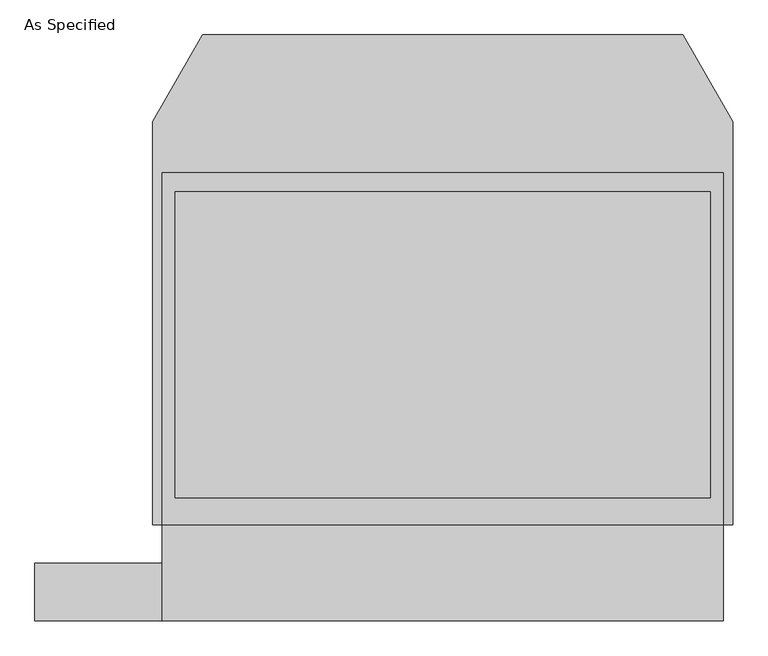
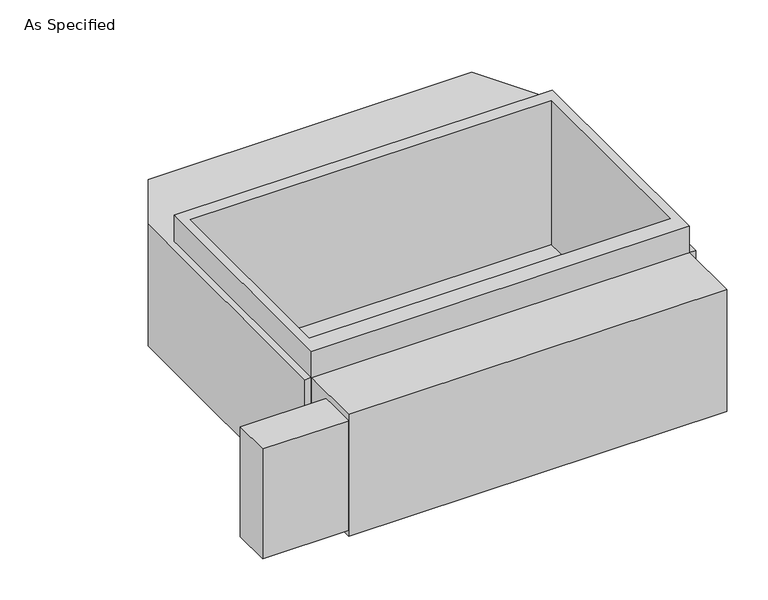
"""IFC4 building model written with IfcOpenShell, lengths in millimetres: proxy geometry, As Specified."""

import ifcopenshell
import ifcopenshell.guid

model = None  # the IFC model being written
_history = None  # IfcOwnerHistory: only IFC2X3 demands one
_inside = {}  # id of a spatial element -> (the spatial element, [elements in it])
_under = {}  # id of a project, library or spatial element -> (it, [spatial elements below it])
_declared = {}  # id of a project -> (the project, [libraries it declares])
_typed = {}  # id of a type object -> (the type object, [elements of that type])
_made_of = {}  # id of a material, layer set ... -> (it, [elements and type objects made of it])


def new_model(schema):
    """Start an empty IFC model of exactly this schema.

    Asked for "IFC4X3", IfcOpenShell would pick the latest addendum, in which some entities
    have other attributes; the version numbers below select the first issue.
    IFC2X3 requires an IfcOwnerHistory on every rooted entity: one is made here for all.
    """
    global model, _history
    if schema == "IFC4X3":
        model = ifcopenshell.file(schema_version=(4, 3, 0, 0))
    else:
        model = ifcopenshell.file(schema=schema)
    _inside.clear()
    _under.clear()
    _declared.clear()
    _typed.clear()
    _made_of.clear()
    _history = None
    if model.schema == "IFC2X3":
        org = make("IfcOrganization", Name="unknown")
        user = make(
            "IfcPersonAndOrganization",
            ThePerson=make("IfcPerson", FamilyName="unknown"),
            TheOrganization=org,
        )
        app = make(
            "IfcApplication",
            ApplicationDeveloper=org,
            Version="unknown",
            ApplicationFullName="unknown",
            ApplicationIdentifier="unknown",
        )
        _history = make(
            "IfcOwnerHistory",
            OwningUser=user,
            OwningApplication=app,
            ChangeAction="ADDED",
            CreationDate=0,
        )
    return model


def make(cls, **values):
    """One entity of the class cls with the attributes given. An attribute that is None is left unset."""
    return model.create_entity(
        cls, **{name: value for name, value in values.items() if value is not None}
    )


def rooted(cls, **values):
    """An entity with a GlobalId (a new one), such as an element, a storey or a relation."""
    return make(cls, GlobalId=ifcopenshell.guid.new(), OwnerHistory=_history, **values)


def si_unit(unit_type, name, prefix=None):
    """IfcSIUnit, for example si_unit("LENGTHUNIT", "METRE", prefix="MILLI")."""
    return make("IfcSIUnit", UnitType=unit_type, Prefix=prefix, Name=name)


def assignment(units):
    """IfcUnitAssignment: the units of a project."""
    return None if units is None else make("IfcUnitAssignment", Units=units)


def point(xyz):
    """IfcCartesianPoint."""
    return None if xyz is None else make("IfcCartesianPoint", Coordinates=xyz)


def direction(xyz):
    """IfcDirection."""
    return None if xyz is None else make("IfcDirection", DirectionRatios=xyz)


def frame(location, z_axis=None, x_axis=None):
    """IfcAxis2Placement3D, a coordinate frame: its origin and axes. An axis left out is left unset."""
    return make(
        "IfcAxis2Placement3D",
        Location=point(location),
        Axis=direction(z_axis),
        RefDirection=direction(x_axis),
    )


def origin():
    """The frame at (0, 0, 0) with its axes left unset."""
    return frame((0.0, 0.0, 0.0))


def place(relative_to, where):
    """IfcLocalPlacement: puts the frame where relative to a parent placement (None: the world)."""
    return make(
        "IfcLocalPlacement", PlacementRelTo=relative_to, RelativePlacement=where
    )


def context(
    kind, dimensions, precision=None, world=None, true_north=None, identifier=None
):
    """IfcGeometricRepresentationContext, for example the 3D "Model" context."""
    return make(
        "IfcGeometricRepresentationContext",
        ContextIdentifier=identifier,
        ContextType=kind,
        CoordinateSpaceDimension=dimensions,
        Precision=precision,
        WorldCoordinateSystem=world,
        TrueNorth=true_north,
    )


def project(units=None, contexts=None):
    """IfcProject with its units and contexts."""
    return rooted(
        "IfcProject",
        Name="project",
        RepresentationContexts=contexts,
        UnitsInContext=assignment(units),
    )


def spatial(cls, under=None, at=None, **own):
    """A site, building, storey or space (cls), placed at a placement, below another one or the project."""
    s = rooted(cls, ObjectPlacement=at, **own)
    if under is not None:
        _under.setdefault(under.id(), (under, []))[1].append(s)
    return s


def polyline(points):
    """IfcPolyline through the points."""
    return make("IfcPolyline", Points=[point(p) for p in points])


def outline(outer, holes=None, kind="AREA"):
    """IfcArbitraryClosedProfileDef: a profile drawn as a closed curve; with holes, ...WithVoids."""
    if holes is None:
        return make("IfcArbitraryClosedProfileDef", ProfileType=kind, OuterCurve=outer)
    return make(
        "IfcArbitraryProfileDefWithVoids",
        ProfileType=kind,
        OuterCurve=outer,
        InnerCurves=holes,
    )


def extrude(swept, where, along, depth):
    """IfcExtrudedAreaSolid: the profile swept, set in the frame where, extruded along a direction by depth."""
    return make(
        "IfcExtrudedAreaSolid",
        SweptArea=swept,
        Position=where,
        ExtrudedDirection=direction(along),
        Depth=depth,
    )


def faces_of(points, faces, orient=None, outer=None):
    """IfcFace entities. A face is a list of loops; a loop is a list of indices into points, from 0.

    orient and outer hold one flag for each loop. By default every Orientation is true, the
    first loop of a face is its IfcFaceOuterBound and the others are IfcFaceBound.
    """
    made = []
    for i, loops in enumerate(faces):
        bounds = []
        for j, loop in enumerate(loops):
            is_outer = j == 0 if outer is None else outer[i][j]
            bounds.append(
                make(
                    "IfcFaceOuterBound" if is_outer else "IfcFaceBound",
                    Bound=make("IfcPolyLoop", Polygon=[points[k] for k in loop]),
                    Orientation=True if orient is None else orient[i][j],
                )
            )
        made.append(make("IfcFace", Bounds=bounds))
    return made


def faceted_brep(points, faces, orient=None, outer=None, voids=None):
    """IfcFacetedBrep: a solid bounded by flat faces; with voids (closed shells), ...WithVoids."""
    shared = [point(p) for p in points]
    hull = make("IfcClosedShell", CfsFaces=faces_of(shared, faces, orient, outer))
    if voids is None:
        return make("IfcFacetedBrep", Outer=hull)
    return make(
        "IfcFacetedBrepWithVoids",
        Outer=hull,
        Voids=[
            make(cls, CfsFaces=faces_of(shared, fs, o, b)) for cls, fs, o, b in voids
        ],
    )


def shape(context_of_items, identifier, shape_type, items):
    """IfcShapeRepresentation: the items that make up one representation, for example the "Body"."""
    return make(
        "IfcShapeRepresentation",
        ContextOfItems=context_of_items,
        RepresentationIdentifier=identifier,
        RepresentationType=shape_type,
        Items=items,
    )


def source(mapping_origin, context_of_items, identifier, shape_type, items):
    """IfcRepresentationMap: a shape defined once, which mapped items show again and again."""
    return make(
        "IfcRepresentationMap",
        MappingOrigin=mapping_origin,
        MappedRepresentation=shape(context_of_items, identifier, shape_type, items),
    )


def transform(
    local_origin,
    x_axis=None,
    y_axis=None,
    z_axis=None,
    scale=None,
    scale2=None,
    scale3=None,
    uniform=True,
):
    """IfcCartesianTransformationOperator3D, or its non-uniform kind. x_axis, y_axis, z_axis: its Axis1, 2, 3."""
    if uniform:
        return make(
            "IfcCartesianTransformationOperator3D",
            Axis1=direction(x_axis),
            Axis2=direction(y_axis),
            LocalOrigin=point(local_origin),
            Scale=scale,
            Axis3=direction(z_axis),
        )
    return make(
        "IfcCartesianTransformationOperator3DnonUniform",
        Axis1=direction(x_axis),
        Axis2=direction(y_axis),
        LocalOrigin=point(local_origin),
        Scale=scale,
        Axis3=direction(z_axis),
        Scale2=scale2,
        Scale3=scale3,
    )


def mapped(mapping_source, mapping_target):
    """IfcMappedItem: shows the shape of a source again, moved by a transform."""
    return make(
        "IfcMappedItem", MappingSource=mapping_source, MappingTarget=mapping_target
    )


def made_of(thing, what):
    """Note that an element or type object is made of a material, layer set ...; save() writes the relation."""
    if what is not None:
        _made_of.setdefault(what.id(), (what, []))[1].append(thing)
    return thing


def element(
    cls,
    number,
    at=None,
    inside=None,
    cuts=None,
    type_object=None,
    material=None,
    context=None,
    identifier="Body",
    shape_type=None,
    held_by="IfcProductDefinitionShape",
    body=None,
    shapes=None,
    **own,
):
    """One element of the class cls, such as IfcWall. Its Tag is "e" and its number.

    at: its placement. inside: the storey or other place that contains it. cuts: it is an
    opening in that element (IfcRelVoidsElement). A single representation is given by context,
    identifier, shape_type and body (its items); several are given by shapes. held_by: the class
    of the entity that holds the representations. save() writes the other relations.
    """
    e = rooted(cls, Tag="e%d" % number, ObjectPlacement=at, **own)
    if body is not None:
        shapes = [shape(context, identifier, shape_type, body)]
    if shapes is not None:
        e.Representation = make(held_by, Representations=shapes)
    if inside is not None:
        _inside.setdefault(inside.id(), (inside, []))[1].append(e)
    if cuts is not None:
        rooted(
            "IfcRelVoidsElement", RelatingBuildingElement=cuts, RelatedOpeningElement=e
        )
    if type_object is not None:
        _typed.setdefault(type_object.id(), (type_object, []))[1].append(e)
    return made_of(e, material)


def aggregate(whole, parts):
    """IfcRelAggregates: a whole, such as a stair, and the parts it consists of."""
    return rooted("IfcRelAggregates", RelatingObject=whole, RelatedObjects=parts)


def save(model, path):
    """Write the relations noted so far, then the file.

    IfcRelAggregates (storeys below a building ...), IfcRelContainedInSpatialStructure (elements
    in a storey), IfcRelDefinesByType, IfcRelAssociatesMaterial and IfcRelDeclares: one each for
    every whole, place, type object, material and project.
    """
    for whole, parts in _under.values():
        aggregate(whole, parts)
    for where, things in _inside.values():
        rooted(
            "IfcRelContainedInSpatialStructure",
            RelatedElements=things,
            RelatingStructure=where,
        )
    for kind, things in _typed.values():
        rooted("IfcRelDefinesByType", RelatedObjects=things, RelatingType=kind)
    for what, things in _made_of.values():
        rooted("IfcRelAssociatesMaterial", RelatedObjects=things, RelatingMaterial=what)
    for by, libraries in _declared.values():
        rooted("IfcRelDeclares", RelatingContext=by, RelatedDefinitions=libraries)
    model.write(path)


def as_specified_8fb2fc75(model_context):
    return source(origin(), model_context, "Body", "SolidModel", [
        extrude(outline(polyline([(-1117.6, -1166.5148438), (-1625.6, -1166.5148438), (-1625.6, -937.9148438), (-1117.6, -937.9148438), (-1117.6, -1166.5148438)])), frame((0.0, 0.0, -749.3), z_axis=(0.0, 0.0, 1.0), x_axis=(1.0, 0.0, 0.0)), (0.0, 0.0, 1.0), 685.8),
        extrude(outline(polyline([(1117.6, 617.8351562), (1117.6, -785.5148438), (-1117.6, -785.5148438), (-1117.6, 617.8351562), (1117.6, 617.8351562)]), holes=[polyline([(-1066.8, 541.6748437), (-1066.8, -677.5251563), (1066.8, -677.5251563), (1066.8, 541.6748437), (-1066.8, 541.6748437)])]), frame((0.0, 0.0, -762.0), z_axis=(0.0, 0.0, 1.0), x_axis=(1.0, 0.0, 0.0)), (0.0, 0.0, 1.0), 901.7),
        faceted_brep([(1117.6, -1166.5148438, -787.4), (-1117.6, -1166.5148438, -787.4), (-1117.6, -785.5148438, -787.4), (-1155.7, -785.5148438, -787.4), (-1155.7, 821.0748437, -787.4), (-956.260123, 1166.5148437, -787.4), (956.260123, 1166.5148437, -787.4), (1155.7, 821.0748437, -787.4), (1155.7, -785.5148438, -787.4), (1117.6, -785.5148438, -787.4), (1117.6, -1166.5148438, -25.4), (1117.6, -785.5148438, -25.4), (1155.7, -785.5148438, -25.4), (1155.7, 821.0748437, -25.4), (956.260123, 1166.5148437, -25.4), (-956.260123, 1166.5148437, -25.4), (-1155.7, 821.0748437, -25.4), (-1155.7, -785.5148438, -25.4), (-1117.6, -785.5148438, -25.4), (-1117.6, -1166.5148438, -25.4), (1066.8, 541.6748437, -25.4), (1066.8, -677.5251563, -25.4), (-1066.8, -677.5251563, -25.4), (-1066.8, 541.6748437, -25.4), (1066.8, 541.6748437, -762.0), (-1066.8, 541.6748437, -762.0), (-1066.8, -677.5251563, -762.0), (1066.8, -677.5251563, -762.0)], [[[0, 1, 2, 3, 4, 5, 6, 7, 8, 9]], [[10, 11, 12, 13, 14, 15, 16, 17, 18, 19], [20, 21, 22, 23]], [[6, 5, 15, 14]], [[3, 17, 16, 4]], [[17, 3, 2, 18]], [[8, 12, 11, 9]], [[12, 8, 7, 13]], [[0, 9, 11, 10]], [[2, 1, 19, 18]], [[1, 0, 10, 19]], [[5, 4, 16, 15]], [[7, 6, 14, 13]], [[24, 25, 26, 27]], [[24, 27, 21, 20]], [[27, 26, 22, 21]], [[26, 25, 23, 22]], [[25, 24, 20, 23]]]),
    ])


if __name__ == "__main__":
    model = new_model("IFC4")
    model_context = context("Model", 3, world=origin())
    ifc_project = project(units=[si_unit("LENGTHUNIT", "METRE", prefix="MILLI")], contexts=[model_context])
    site = spatial("IfcSite", under=ifc_project)
    building = spatial("IfcBuilding", under=site)
    placement = place(None, origin())
    as_specified_shape = as_specified_8fb2fc75(model_context)
    element("IfcBuildingElementProxy", 1, Name="As Specified", ObjectType="As Specified", at=placement, inside=building, context=model_context, shape_type="MappedRepresentation", body=[
        mapped(as_specified_shape, transform((0.0, 0.0, 0.0), x_axis=(1.0, 0.0, 0.0), y_axis=(0.0, 1.0, 0.0), z_axis=(0.0, 0.0, 1.0))),
    ])
    save(model, "model.ifc")
